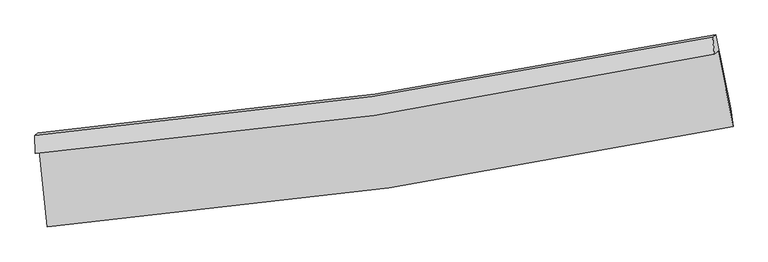
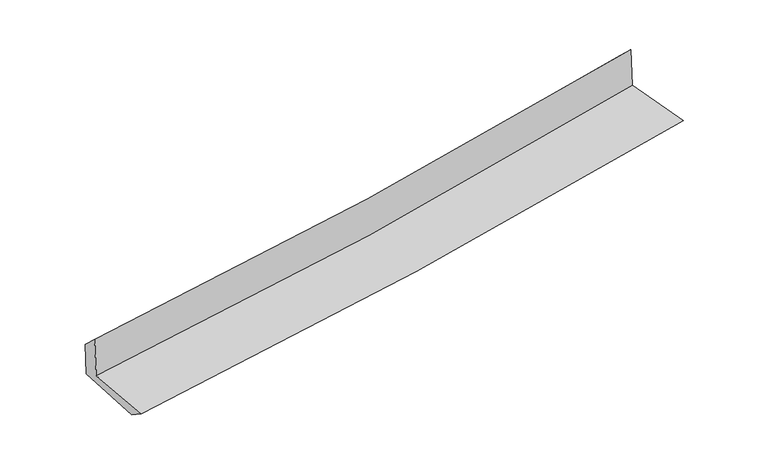
"""IFC4 building model written with IfcOpenShell, lengths in millimetres: proxy geometry."""

import ifcopenshell
import ifcopenshell.guid

model = None  # the IFC model being written
_history = None  # IfcOwnerHistory: only IFC2X3 demands one
_inside = {}  # id of a spatial element -> (the spatial element, [elements in it])
_under = {}  # id of a project, library or spatial element -> (it, [spatial elements below it])
_declared = {}  # id of a project -> (the project, [libraries it declares])
_typed = {}  # id of a type object -> (the type object, [elements of that type])
_made_of = {}  # id of a material, layer set ... -> (it, [elements and type objects made of it])


def new_model(schema):
    """Start an empty IFC model of exactly this schema.

    Asked for "IFC4X3", IfcOpenShell would pick the latest addendum, in which some entities
    have other attributes; the version numbers below select the first issue.
    IFC2X3 requires an IfcOwnerHistory on every rooted entity: one is made here for all.
    """
    global model, _history
    if schema == "IFC4X3":
        model = ifcopenshell.file(schema_version=(4, 3, 0, 0))
    else:
        model = ifcopenshell.file(schema=schema)
    _inside.clear()
    _under.clear()
    _declared.clear()
    _typed.clear()
    _made_of.clear()
    _history = None
    if model.schema == "IFC2X3":
        org = make("IfcOrganization", Name="unknown")
        user = make(
            "IfcPersonAndOrganization",
            ThePerson=make("IfcPerson", FamilyName="unknown"),
            TheOrganization=org,
        )
        app = make(
            "IfcApplication",
            ApplicationDeveloper=org,
            Version="unknown",
            ApplicationFullName="unknown",
            ApplicationIdentifier="unknown",
        )
        _history = make(
            "IfcOwnerHistory",
            OwningUser=user,
            OwningApplication=app,
            ChangeAction="ADDED",
            CreationDate=0,
        )
    return model


def make(cls, **values):
    """One entity of the class cls with the attributes given. An attribute that is None is left unset."""
    return model.create_entity(
        cls, **{name: value for name, value in values.items() if value is not None}
    )


def rooted(cls, **values):
    """An entity with a GlobalId (a new one), such as an element, a storey or a relation."""
    return make(cls, GlobalId=ifcopenshell.guid.new(), OwnerHistory=_history, **values)


def si_unit(unit_type, name, prefix=None):
    """IfcSIUnit, for example si_unit("LENGTHUNIT", "METRE", prefix="MILLI")."""
    return make("IfcSIUnit", UnitType=unit_type, Prefix=prefix, Name=name)


def assignment(units):
    """IfcUnitAssignment: the units of a project."""
    return None if units is None else make("IfcUnitAssignment", Units=units)


def point(xyz):
    """IfcCartesianPoint."""
    return None if xyz is None else make("IfcCartesianPoint", Coordinates=xyz)


def direction(xyz):
    """IfcDirection."""
    return None if xyz is None else make("IfcDirection", DirectionRatios=xyz)


def frame(location, z_axis=None, x_axis=None):
    """IfcAxis2Placement3D, a coordinate frame: its origin and axes. An axis left out is left unset."""
    return make(
        "IfcAxis2Placement3D",
        Location=point(location),
        Axis=direction(z_axis),
        RefDirection=direction(x_axis),
    )


def origin():
    """The frame at (0, 0, 0) with its axes left unset."""
    return frame((0.0, 0.0, 0.0))


def place(relative_to, where):
    """IfcLocalPlacement: puts the frame where relative to a parent placement (None: the world)."""
    return make(
        "IfcLocalPlacement", PlacementRelTo=relative_to, RelativePlacement=where
    )


def context(
    kind, dimensions, precision=None, world=None, true_north=None, identifier=None
):
    """IfcGeometricRepresentationContext, for example the 3D "Model" context."""
    return make(
        "IfcGeometricRepresentationContext",
        ContextIdentifier=identifier,
        ContextType=kind,
        CoordinateSpaceDimension=dimensions,
        Precision=precision,
        WorldCoordinateSystem=world,
        TrueNorth=true_north,
    )


def project(units=None, contexts=None):
    """IfcProject with its units and contexts."""
    return rooted(
        "IfcProject",
        Name="project",
        RepresentationContexts=contexts,
        UnitsInContext=assignment(units),
    )


def spatial(cls, under=None, at=None, **own):
    """A site, building, storey or space (cls), placed at a placement, below another one or the project."""
    s = rooted(cls, ObjectPlacement=at, **own)
    if under is not None:
        _under.setdefault(under.id(), (under, []))[1].append(s)
    return s


def shape(context_of_items, identifier, shape_type, items):
    """IfcShapeRepresentation: the items that make up one representation, for example the "Body"."""
    return make(
        "IfcShapeRepresentation",
        ContextOfItems=context_of_items,
        RepresentationIdentifier=identifier,
        RepresentationType=shape_type,
        Items=items,
    )


def source(mapping_origin, context_of_items, identifier, shape_type, items):
    """IfcRepresentationMap: a shape defined once, which mapped items show again and again."""
    return make(
        "IfcRepresentationMap",
        MappingOrigin=mapping_origin,
        MappedRepresentation=shape(context_of_items, identifier, shape_type, items),
    )


def transform(
    local_origin,
    x_axis=None,
    y_axis=None,
    z_axis=None,
    scale=None,
    scale2=None,
    scale3=None,
    uniform=True,
):
    """IfcCartesianTransformationOperator3D, or its non-uniform kind. x_axis, y_axis, z_axis: its Axis1, 2, 3."""
    if uniform:
        return make(
            "IfcCartesianTransformationOperator3D",
            Axis1=direction(x_axis),
            Axis2=direction(y_axis),
            LocalOrigin=point(local_origin),
            Scale=scale,
            Axis3=direction(z_axis),
        )
    return make(
        "IfcCartesianTransformationOperator3DnonUniform",
        Axis1=direction(x_axis),
        Axis2=direction(y_axis),
        LocalOrigin=point(local_origin),
        Scale=scale,
        Axis3=direction(z_axis),
        Scale2=scale2,
        Scale3=scale3,
    )


def mapped(mapping_source, mapping_target):
    """IfcMappedItem: shows the shape of a source again, moved by a transform."""
    return make(
        "IfcMappedItem", MappingSource=mapping_source, MappingTarget=mapping_target
    )


def made_of(thing, what):
    """Note that an element or type object is made of a material, layer set ...; save() writes the relation."""
    if what is not None:
        _made_of.setdefault(what.id(), (what, []))[1].append(thing)
    return thing


def element(
    cls,
    number,
    at=None,
    inside=None,
    cuts=None,
    type_object=None,
    material=None,
    context=None,
    identifier="Body",
    shape_type=None,
    held_by="IfcProductDefinitionShape",
    body=None,
    shapes=None,
    **own,
):
    """One element of the class cls, such as IfcWall. Its Tag is "e" and its number.

    at: its placement. inside: the storey or other place that contains it. cuts: it is an
    opening in that element (IfcRelVoidsElement). A single representation is given by context,
    identifier, shape_type and body (its items); several are given by shapes. held_by: the class
    of the entity that holds the representations. save() writes the other relations.
    """
    e = rooted(cls, Tag="e%d" % number, ObjectPlacement=at, **own)
    if body is not None:
        shapes = [shape(context, identifier, shape_type, body)]
    if shapes is not None:
        e.Representation = make(held_by, Representations=shapes)
    if inside is not None:
        _inside.setdefault(inside.id(), (inside, []))[1].append(e)
    if cuts is not None:
        rooted(
            "IfcRelVoidsElement", RelatingBuildingElement=cuts, RelatedOpeningElement=e
        )
    if type_object is not None:
        _typed.setdefault(type_object.id(), (type_object, []))[1].append(e)
    return made_of(e, material)


def aggregate(whole, parts):
    """IfcRelAggregates: a whole, such as a stair, and the parts it consists of."""
    return rooted("IfcRelAggregates", RelatingObject=whole, RelatedObjects=parts)


def save(model, path):
    """Write the relations noted so far, then the file.

    IfcRelAggregates (storeys below a building ...), IfcRelContainedInSpatialStructure (elements
    in a storey), IfcRelDefinesByType, IfcRelAssociatesMaterial and IfcRelDeclares: one each for
    every whole, place, type object, material and project.
    """
    for whole, parts in _under.values():
        aggregate(whole, parts)
    for where, things in _inside.values():
        rooted(
            "IfcRelContainedInSpatialStructure",
            RelatedElements=things,
            RelatingStructure=where,
        )
    for kind, things in _typed.values():
        rooted("IfcRelDefinesByType", RelatedObjects=things, RelatingType=kind)
    for what, things in _made_of.values():
        rooted("IfcRelAssociatesMaterial", RelatedObjects=things, RelatingMaterial=what)
    for by, libraries in _declared.values():
        rooted("IfcRelDeclares", RelatingContext=by, RelatedDefinitions=libraries)
    model.write(path)


def plane_surface(at):
    """IfcPlane: the flat surface through the origin of the frame at, square to its z axis."""
    return make("IfcPlane", Position=at)


def spline_curve(degree, points, multiplicities, knots, weights=None):
    """IfcBSplineCurveWithKnots; with weights, IfcRationalBSplineCurveWithKnots."""
    own = dict(
        Degree=degree,
        ControlPointsList=[point(p) for p in points],
        CurveForm="UNSPECIFIED",
        ClosedCurve=False,
        SelfIntersect=False,
        KnotMultiplicities=multiplicities,
        Knots=knots,
        KnotSpec="UNSPECIFIED",
    )
    if weights is None:
        return make("IfcBSplineCurveWithKnots", **own)
    return make("IfcRationalBSplineCurveWithKnots", WeightsData=weights, **own)


def spline_surface(u_degree, v_degree, points, u_multiplicities, v_multiplicities, u_knots, v_knots, weights=None):
    """IfcBSplineSurfaceWithKnots; with weights, IfcRationalBSplineSurfaceWithKnots. points: one row for each step in u."""
    own = dict(
        UDegree=u_degree,
        VDegree=v_degree,
        ControlPointsList=[[point(p) for p in row] for row in points],
        SurfaceForm="UNSPECIFIED",
        UClosed=False,
        VClosed=False,
        SelfIntersect=False,
        UMultiplicities=u_multiplicities,
        VMultiplicities=v_multiplicities,
        UKnots=u_knots,
        VKnots=v_knots,
        KnotSpec="UNSPECIFIED",
    )
    if weights is None:
        return make("IfcBSplineSurfaceWithKnots", **own)
    return make("IfcRationalBSplineSurfaceWithKnots", WeightsData=weights, **own)


def advanced_brep(points, edges, surfaces, faces):
    """IfcAdvancedBrep: a solid bounded by faces that lie on surfaces and meet in shared edges.

    An edge is (start, end): straight between two places in points (the first is 0);
    or (start, end, curve); or (start, end, curve, False) where it runs against its curve.
    A face is (place in surfaces, loops), or (place, loops, False) where it looks against
    its surface's normal. A loop lists edges by number (the first is 1), with a minus sign
    where the edge is run from its end to its start. The first loop is the outer one.
    """
    corners = [point(p) for p in points]
    vertices = [make("IfcVertexPoint", VertexGeometry=c) for c in corners]
    made = []
    for start, end, *more in edges:
        made.append(
            make(
                "IfcEdgeCurve",
                EdgeStart=vertices[start],
                EdgeEnd=vertices[end],
                EdgeGeometry=more[0] if more else make("IfcPolyline", Points=[corners[start], corners[end]]),
                SameSense=more[1] if len(more) > 1 else True,
            )
        )
    hull = []
    for where, loops, *sense in faces:
        bounds = []
        for j, loop in enumerate(loops):
            ring = [make("IfcOrientedEdge", EdgeElement=made[abs(k) - 1], Orientation=k > 0) for k in loop]
            bounds.append(
                make(
                    "IfcFaceOuterBound" if j == 0 else "IfcFaceBound",
                    Bound=make("IfcEdgeLoop", EdgeList=ring),
                    Orientation=True,
                )
            )
        hull.append(make("IfcAdvancedFace", Bounds=bounds, FaceSurface=surfaces[where], SameSense=sense[0] if sense else True))
    return make("IfcAdvancedBrep", Outer=make("IfcClosedShell", CfsFaces=hull))


def generic_models_0b149f2a(model_context):
    return source(origin(), model_context, "Body", "AdvancedBrep", [
        advanced_brep(
        [(-2952.7813704, -1897.3796424, 1636.8111463), (-2881.628655, -2558.7624436, 1609.6016216), (3043.1643563, -1690.4658484, 2115.5291838), (2913.1395269, -1037.4880418, 2137.4937965), (-2984.696661, -1924.3424381, 2046.6614912), (2881.9404513, -1065.7088283, 2542.1710739), (-2988.5608646, -1767.4885647, 1899.5427805), (2865.8592966, -918.8660403, 2402.1384816), (-2962.8717309, -1745.7857743, 1569.6476065), (2892.0810602, -896.7132714, 2065.4033714), (-2889.3754662, -2401.0631575, 1507.2734896), (3022.3027524, -1534.7116394, 2008.9126517)],
        [
            (0, 1),
            (1, 2, spline_curve(3, [(-2881.628655, -2558.7624436, 1609.6016216), (-1894.946148988, -2475.455507203, 1706.529386631), (-911.85980563, -2362.277748155, 1796.864943781), (1063.19016395, -2073.833716834, 1965.725543962), (2055.034824638, -1897.579277262, 2044.032507503), (3043.1643563, -1690.4658484, 2115.5291838)], [4, 2, 4], [0.0, 9.73455370310658, 19.628813418756586])),
            (2, 3),
            (3, 0, spline_curve(3, [(2913.1395269, -1037.4880418, 2137.4937965), (1936.698335225, -1251.22321486, 2066.478887869), (955.636462498, -1430.049728007, 1988.855065635), (-999.818467, -1715.562415886, 1821.749217907), (-1974.063560063, -1823.366436283, 1732.478823649), (-2952.7813704, -1897.3796424, 1636.8111463)], [4, 2, 4], [0.0, 9.894259715650007, 19.628813418756586])),
            (4, 0),
            (3, 5),
            (5, 4, spline_curve(3, [(2881.9404513, -1065.7088283, 2542.1710739), (1904.390304379, -1273.69670641, 2473.658809857), (922.717805785, -1449.566407656, 2397.714261117), (-1032.959904078, -1734.749122003, 2232.306403461), (-2006.83310961, -1845.090624182, 2143.081091056), (-2984.696661, -1924.3424381, 2046.6614912)], [4, 2, 4], [0.0, 9.845226548330904, 19.53153854218194])),
            (6, 4),
            (5, 7),
            (7, 6, spline_curve(3, [(2865.8592966, -918.8660403, 2402.1384816), (1890.698724157, -1118.200693613, 2316.866513963), (911.246005127, -1288.931096908, 2232.010136273), (-1040.364824994, -1570.889305711, 2064.491544084), (-2012.385493206, -1683.0330773, 1981.816021154), (-2988.5608646, -1767.4885647, 1899.5427805)], [4, 2, 4], [0.0, 9.834347482301437, 19.509956012169617])),
            (8, 6),
            (7, 9),
            (9, 8, spline_curve(3, [(2892.0810602, -896.7132714, 2065.4033714), (1916.55123347, -1096.359879276, 1984.873299492), (936.870278565, -1267.283102014, 1902.947886933), (-1014.913579225, -1549.387488657, 1737.651283446), (-1986.883554771, -1661.488433808, 1654.324774663), (-2962.8717309, -1745.7857743, 1569.6476065)], [4, 2, 4], [0.0, 9.823071699151184, 19.48758645143769])),
            (10, 8),
            (9, 11),
            (11, 10, spline_curve(3, [(3022.3027524, -1534.7116394, 2008.9126517), (2036.894380072, -1737.750342456, 1927.335245699), (1047.509985287, -1911.819257507, 1844.392133285), (-923.176740845, -2199.675425715, 1677.135346345), (-1904.35175263, -2314.390350078, 1592.865405078), (-2889.3754662, -2401.0631575, 1507.2734896)], [4, 2, 4], [0.0, 9.871833477309336, 19.58432293025876])),
            (1, 10),
            (11, 2),
        ],
        [
            spline_surface(3, 3, [[(-2952.7813704, -1897.3796424, 1636.8111463), (-1974.063559991, -1823.366436285, 1732.478823586), (-999.818466895, -1715.562415842, 1821.74921803), (955.636462391, -1430.049728052, 1988.85506551), (1936.698335076, -1251.223214979, 2066.478887808), (2913.1395269, -1037.4880418, 2137.4937965)], [(-2929.0637986, -2117.840576115, 1627.741304737), (-1947.691089626, -2040.729459865, 1723.82901131), (-970.49891315, -1931.134193256, 1813.454459996), (991.487696267, -1644.644390971, 1981.145224935), (1976.14383157, -1466.675235777, 2058.996760988), (2956.481136697, -1255.147310655, 2130.172258928)], [(-2905.3462268, -2338.301509885, 1618.671463163), (-1921.318619261, -2258.092483501, 1715.179199023), (-941.179359423, -2146.705970718, 1805.159701976), (1027.338930125, -1859.239053938, 1973.435384375), (2015.589328074, -1682.127256612, 2051.514634183), (2999.822746503, -1472.806579545, 2122.850721372)], [(-2881.628655, -2558.7624436, 1609.6016216), (-1894.946148896, -2475.455507081, 1706.529386747), (-911.859805679, -2362.277748132, 1796.864943941), (1063.190164, -2073.833716857, 1965.7255438), (2055.034824569, -1897.57927741, 2044.032507364), (3043.1643563, -1690.4658484, 2115.5291838)]], [4, 4], [4, 2, 4], [0.0, 2.142568103570586], [0.0, 9.73455370310658, 19.628813418756586]),
            spline_surface(3, 3, [[(-2984.696661, -1924.3424381, 2046.6614912), (-2006.833109767, -1845.090624234, 2143.081091192), (-1032.9599042, -1734.749122034, 2232.306403464), (922.717805909, -1449.566407624, 2397.714261113), (1904.390304466, -1273.696706555, 2473.658809745), (2881.9404513, -1065.7088283, 2542.1710739)], [(-2974.058230818, -1915.354839559, 1910.044709566), (-1995.909926527, -1837.849228277, 2006.213668655), (-1021.912758448, -1728.353553317, 2095.454008349), (933.690691387, -1443.060847781, 2261.427862609), (1915.15964799, -1266.205542712, 2337.932169095), (2892.340143154, -1056.301899482, 2407.278648096)], [(-2963.419800582, -1906.367240941, 1773.427927934), (-1984.986743231, -1830.607832242, 1869.346246122), (-1010.865612647, -1721.957984559, 1958.601613145), (944.663576913, -1436.555287895, 2125.141464015), (1925.928991552, -1258.714378822, 2202.205528457), (2902.739835046, -1046.894970618, 2272.386222304)], [(-2952.7813704, -1897.3796424, 1636.8111463), (-1974.063559991, -1823.366436285, 1732.478823586), (-999.818466895, -1715.562415842, 1821.74921803), (955.636462391, -1430.049728052, 1988.85506551), (1936.698335076, -1251.223214979, 2066.478887808), (2913.1395269, -1037.4880418, 2137.4937965)]], [4, 4], [4, 2, 4], [0.0, 1.3499961313356281], [0.0, 9.686311993851037, 19.53153854218194]),
            spline_surface(3, 3, [[(-2988.5608646, -1767.4885647, 1899.5427805), (-2012.385493093, -1683.033077296, 1981.81602121), (-1040.364825065, -1570.889305808, 2064.491544012), (911.2460052, -1288.93109681, 2232.010136347), (1890.698724237, -1118.200693519, 2316.866513903), (2865.8592966, -918.8660403, 2402.1384816)], [(-2987.272796706, -1819.773189147, 1948.582350743), (-2010.534698623, -1737.052259589, 2035.571044547), (-1037.896518103, -1625.509244536, 2120.42983047), (915.069938777, -1342.476200401, 2287.244844577), (1895.262584328, -1170.032697856, 2369.13061252), (2871.219681514, -967.813636292, 2448.81601237)], [(-2985.984728894, -1872.057813653, 1997.621920957), (-2008.683904236, -1791.071441941, 2089.326067855), (-1035.428211162, -1680.129183306, 2176.368117005), (918.893872332, -1396.021304034, 2342.479552883), (1899.826444376, -1221.864702218, 2421.394711127), (2876.580066386, -1016.761232308, 2495.49354313)], [(-2984.696661, -1924.3424381, 2046.6614912), (-2006.833109767, -1845.090624234, 2143.081091192), (-1032.9599042, -1734.749122034, 2232.306403464), (922.717805909, -1449.566407624, 2397.714261113), (1904.390304466, -1273.696706555, 2473.658809745), (2881.9404513, -1065.7088283, 2542.1710739)]], [4, 4], [4, 2, 4], [0.0, 0.7638633394961744], [0.0, 9.67560852986818, 19.509956012169617]),
            spline_surface(3, 3, [[(-2962.8717309, -1745.7857743, 1569.6476065), (-1986.883554649, -1661.488433896, 1654.324774577), (-1014.913579269, -1549.387488753, 1737.651283559), (936.870278609, -1267.283101917, 1902.947886818), (1916.551233589, -1096.35987938, 1984.873299472), (2892.0810602, -896.7132714, 2065.4033714)], [(-2971.434775483, -1753.020037785, 1679.612664503), (-1995.384200813, -1668.669981715, 1763.488523458), (-1023.397327875, -1556.554761113, 1846.598037071), (928.328854132, -1274.499100223, 2012.635303355), (1907.933730452, -1103.640150745, 2095.537704291), (2883.340472314, -904.097527685, 2177.648408142)], [(-2979.997820017, -1760.254301215, 1789.577722497), (-2003.884846928, -1675.851529478, 1872.652272329), (-1031.881076459, -1563.722033448, 1955.544790501), (919.787429677, -1281.715098504, 2122.32271981), (1899.316227374, -1110.920422154, 2206.202109083), (2874.599884486, -911.481784015, 2289.893444858)], [(-2988.5608646, -1767.4885647, 1899.5427805), (-2012.385493093, -1683.033077296, 1981.81602121), (-1040.364825065, -1570.889305808, 2064.491544012), (911.2460052, -1288.93109681, 2232.010136347), (1890.698724237, -1118.200693519, 2316.866513903), (2865.8592966, -918.8660403, 2402.1384816)]], [4, 4], [4, 2, 4], [0.0, 1.0815924308210876], [0.0, 9.664514752286506, 19.48758645143769]),
            spline_surface(3, 3, [[(-2889.3754662, -2401.0631575, 1507.2734896), (-1904.351752488, -2314.390350113, 1592.865405055), (-923.176740998, -2199.675425764, 1677.135346466), (1047.509985442, -1911.819257457, 1844.392133162), (2036.894380206, -1737.750342488, 1927.335245834), (3022.3027524, -1534.7116394, 2008.9126517)], [(-2913.874221109, -2182.637363074, 1528.06486188), (-1931.862353218, -2096.756378015, 1613.351861542), (-953.755687059, -1982.912780099, 1697.307325491), (1010.630083194, -1696.973872282, 1863.910717708), (1996.779998022, -1523.953521474, 1946.51459705), (2978.895521688, -1322.045516755, 2027.742891603)], [(-2938.372975991, -1964.211568726, 1548.85623422), (-1959.372953919, -1879.122405994, 1633.83831809), (-984.334633208, -1766.150134418, 1717.479304534), (973.750180858, -1482.128487092, 1883.429302272), (1956.665615773, -1310.156700394, 1965.693948256), (2935.488290912, -1109.379394045, 2046.573131497)], [(-2962.8717309, -1745.7857743, 1569.6476065), (-1986.883554649, -1661.488433896, 1654.324774577), (-1014.913579269, -1549.387488753, 1737.651283559), (936.870278609, -1267.283101917, 1902.947886818), (1916.551233589, -1096.35987938, 1984.873299472), (2892.0810602, -896.7132714, 2065.4033714)]], [4, 4], [4, 2, 4], [0.0, 2.1586194821803972], [0.0, 9.712489452949425, 19.58432293025876]),
            spline_surface(3, 3, [[(-2881.628655, -2558.7624436, 1609.6016216), (-1894.946148896, -2475.455507081, 1706.529386747), (-911.859805679, -2362.277748132, 1796.864943941), (1063.190164, -2073.833716857, 1965.7255438), (2055.034824569, -1897.57927741, 2044.032507364), (3043.1643563, -1690.4658484, 2115.5291838)], [(-2884.210925383, -2506.19601492, 1575.492244271), (-1898.081350077, -2421.767121444, 1668.641392854), (-915.632117471, -2308.076974012, 1756.955078096), (1057.963437795, -2019.82889706, 1925.281073567), (2048.988009781, -1844.302965767, 2005.13342018), (3036.210488333, -1638.547778731, 2079.990339759)], [(-2886.793195817, -2453.62958618, 1541.382866929), (-1901.216551308, -2368.078735749, 1630.753398947), (-919.404429206, -2253.876199884, 1717.045212311), (1052.736711647, -1965.824077254, 1884.836603395), (2042.941194994, -1791.026654131, 1966.234333018), (3029.256620367, -1586.629709069, 2044.451495741)], [(-2889.3754662, -2401.0631575, 1507.2734896), (-1904.351752488, -2314.390350113, 1592.865405055), (-923.176740998, -2199.675425764, 1677.135346466), (1047.509985442, -1911.819257457, 1844.392133162), (2036.894380206, -1737.750342488, 1927.335245834), (3022.3027524, -1534.7116394, 2008.9126517)]], [4, 4], [4, 2, 4], [0.0, 0.6647749665688087], [0.0, 9.77185060702073, 19.70401912313259]),
            plane_surface(frame((2936.4145739, -1190.6589449, 2211.9414265), z_axis=(0.9774449027493507, 0.191650243765888, 0.08872229795146218), x_axis=(-0.07746911628303958, -0.06544774977151552, 0.9948442732770643))),
            plane_surface(frame((-2943.3191247, -2049.1370034, 1711.5896893), z_axis=(-0.9911132176374726, -0.10317130164185079, -0.08396589987502308), x_axis=(-0.10687515784342472, 0.993432097008185, 0.04087015133154584))),
        ],
        [
            (0, [[1, 2, 3, 4]]),
            (1, [[5, -4, 6, 7]]),
            (2, [[8, -7, 9, 10]]),
            (3, [[11, -10, 12, 13]]),
            (4, [[14, -13, 15, 16]]),
            (5, [[17, -16, 18, -2]]),
            (6, [[-12, -9, -6, -3, -18, -15]]),
            (7, [[-1, -5, -8, -11, -14, -17]]),
        ],
    ),
    ])


if __name__ == "__main__":
    model = new_model("IFC4")
    model_context = context("Model", 3, world=origin())
    ifc_project = project(units=[si_unit("LENGTHUNIT", "METRE", prefix="MILLI")], contexts=[model_context])
    site = spatial("IfcSite", under=ifc_project)
    building = spatial("IfcBuilding", under=site)
    placement = place(None, origin())
    generic_models_shape = generic_models_0b149f2a(model_context)
    element("IfcBuildingElementProxy", 1, Name="Generic Models", at=placement, inside=building, context=model_context, shape_type="MappedRepresentation", body=[
        mapped(generic_models_shape, transform((0.0, 0.0, 0.0), x_axis=(1.0, 0.0, 0.0), y_axis=(0.0, 1.0, 0.0), z_axis=(0.0, 0.0, 1.0))),
    ])
    save(model, "model.ifc")
